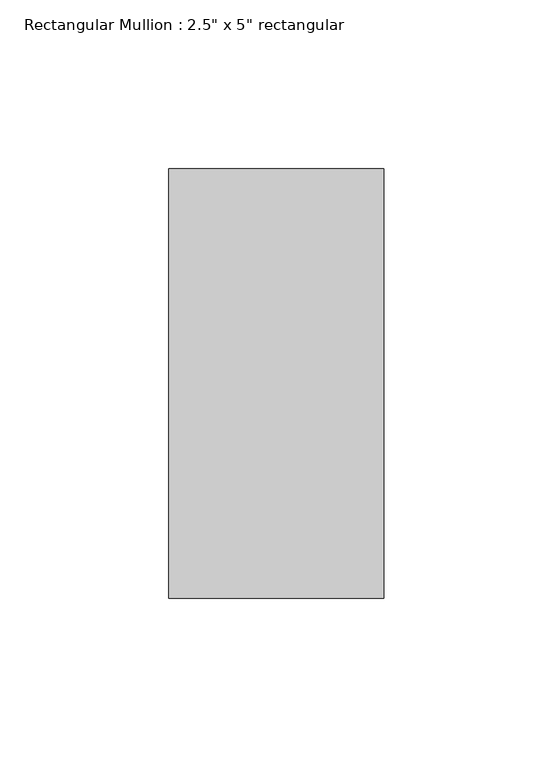
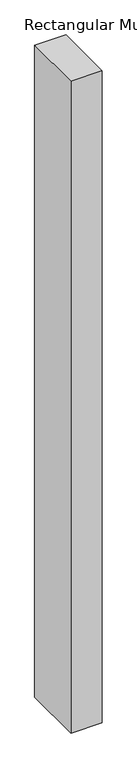
"""IFC4 building model written with IfcOpenShell, lengths in millimetres: member geometry."""

from ifc_helpers import new_model, si_unit, frame, origin, place, context, project, spatial, polyline, outline, extrude, source, transform, mapped, element, save


def member_e1a0f2ce(model_context):
    return source(origin(), model_context, "Body", "SweptSolid", [
        extrude(outline(polyline([(0.0, 63.5), (0.0, -63.5), (-63.5, -63.5), (-63.5, 63.5), (0.0, 63.5)])), frame((0.0, 0.0, -1397.359849), z_axis=(0.0, 0.0, 1.0), x_axis=(1.0, 0.0, 0.0)), (0.0, 0.0, 1.0), 1397.359849),
    ])


if __name__ == "__main__":
    model = new_model("IFC4")
    model_context = context("Model", 3, world=origin())
    ifc_project = project(units=[si_unit("LENGTHUNIT", "METRE", prefix="MILLI")], contexts=[model_context])
    site = spatial("IfcSite", under=ifc_project)
    building = spatial("IfcBuilding", under=site)
    placement = place(None, origin())
    member_shape = member_e1a0f2ce(model_context)
    element("IfcMember", 1, ObjectType="Rectangular Mullion : 2.5\" x 5\" rectangular", at=placement, inside=building, context=model_context, shape_type="MappedRepresentation", body=[
        mapped(member_shape, transform((0.0, 0.0, 0.0), x_axis=(1.0, 0.0, 0.0), y_axis=(0.0, 1.0, 0.0), z_axis=(0.0, 0.0, 1.0))),
    ])
    save(model, "model.ifc")
